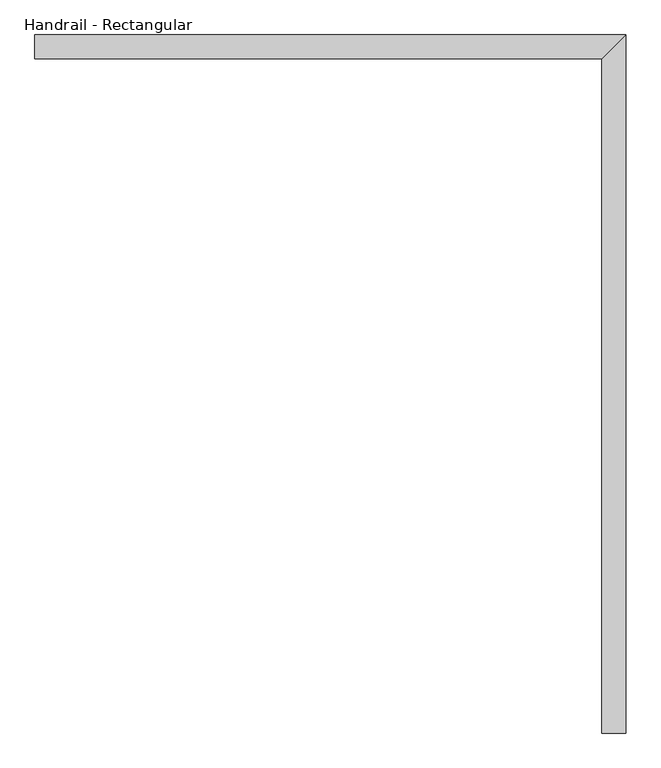
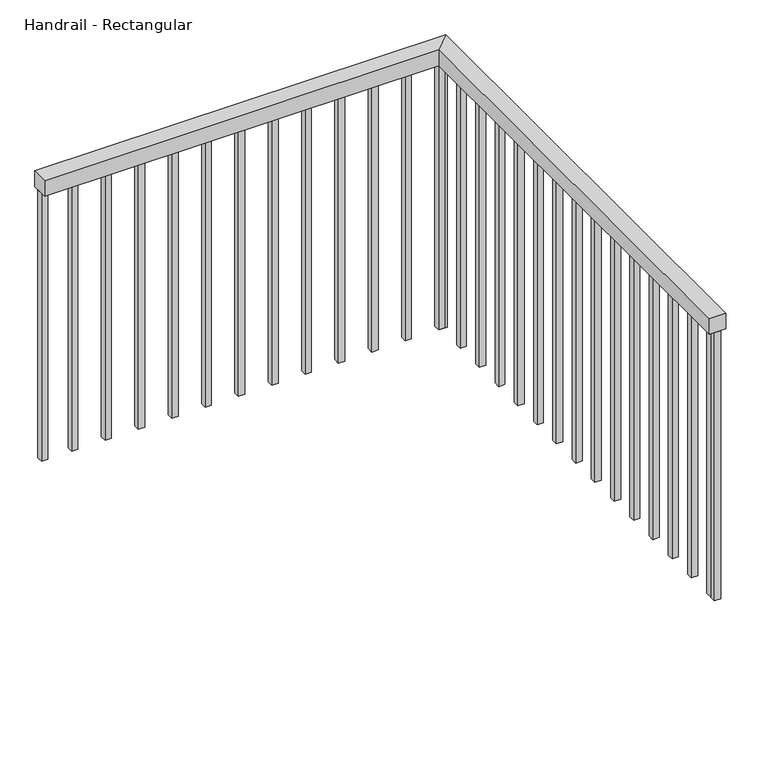
"""IFC4 building model written with IfcOpenShell, lengths in millimetres: railing geometry, Handrail - Rectangular."""

import ifcopenshell
import ifcopenshell.guid

model = None  # the IFC model being written
_history = None  # IfcOwnerHistory: only IFC2X3 demands one
_inside = {}  # id of a spatial element -> (the spatial element, [elements in it])
_under = {}  # id of a project, library or spatial element -> (it, [spatial elements below it])
_declared = {}  # id of a project -> (the project, [libraries it declares])
_typed = {}  # id of a type object -> (the type object, [elements of that type])
_made_of = {}  # id of a material, layer set ... -> (it, [elements and type objects made of it])


def new_model(schema):
    """Start an empty IFC model of exactly this schema.

    Asked for "IFC4X3", IfcOpenShell would pick the latest addendum, in which some entities
    have other attributes; the version numbers below select the first issue.
    IFC2X3 requires an IfcOwnerHistory on every rooted entity: one is made here for all.
    """
    global model, _history
    if schema == "IFC4X3":
        model = ifcopenshell.file(schema_version=(4, 3, 0, 0))
    else:
        model = ifcopenshell.file(schema=schema)
    _inside.clear()
    _under.clear()
    _declared.clear()
    _typed.clear()
    _made_of.clear()
    _history = None
    if model.schema == "IFC2X3":
        org = make("IfcOrganization", Name="unknown")
        user = make(
            "IfcPersonAndOrganization",
            ThePerson=make("IfcPerson", FamilyName="unknown"),
            TheOrganization=org,
        )
        app = make(
            "IfcApplication",
            ApplicationDeveloper=org,
            Version="unknown",
            ApplicationFullName="unknown",
            ApplicationIdentifier="unknown",
        )
        _history = make(
            "IfcOwnerHistory",
            OwningUser=user,
            OwningApplication=app,
            ChangeAction="ADDED",
            CreationDate=0,
        )
    return model


def make(cls, **values):
    """One entity of the class cls with the attributes given. An attribute that is None is left unset."""
    return model.create_entity(
        cls, **{name: value for name, value in values.items() if value is not None}
    )


def rooted(cls, **values):
    """An entity with a GlobalId (a new one), such as an element, a storey or a relation."""
    return make(cls, GlobalId=ifcopenshell.guid.new(), OwnerHistory=_history, **values)


def si_unit(unit_type, name, prefix=None):
    """IfcSIUnit, for example si_unit("LENGTHUNIT", "METRE", prefix="MILLI")."""
    return make("IfcSIUnit", UnitType=unit_type, Prefix=prefix, Name=name)


def assignment(units):
    """IfcUnitAssignment: the units of a project."""
    return None if units is None else make("IfcUnitAssignment", Units=units)


def point(xyz):
    """IfcCartesianPoint."""
    return None if xyz is None else make("IfcCartesianPoint", Coordinates=xyz)


def direction(xyz):
    """IfcDirection."""
    return None if xyz is None else make("IfcDirection", DirectionRatios=xyz)


def frame(location, z_axis=None, x_axis=None):
    """IfcAxis2Placement3D, a coordinate frame: its origin and axes. An axis left out is left unset."""
    return make(
        "IfcAxis2Placement3D",
        Location=point(location),
        Axis=direction(z_axis),
        RefDirection=direction(x_axis),
    )


def origin():
    """The frame at (0, 0, 0) with its axes left unset."""
    return frame((0.0, 0.0, 0.0))


def place(relative_to, where):
    """IfcLocalPlacement: puts the frame where relative to a parent placement (None: the world)."""
    return make(
        "IfcLocalPlacement", PlacementRelTo=relative_to, RelativePlacement=where
    )


def context(
    kind, dimensions, precision=None, world=None, true_north=None, identifier=None
):
    """IfcGeometricRepresentationContext, for example the 3D "Model" context."""
    return make(
        "IfcGeometricRepresentationContext",
        ContextIdentifier=identifier,
        ContextType=kind,
        CoordinateSpaceDimension=dimensions,
        Precision=precision,
        WorldCoordinateSystem=world,
        TrueNorth=true_north,
    )


def project(units=None, contexts=None):
    """IfcProject with its units and contexts."""
    return rooted(
        "IfcProject",
        Name="project",
        RepresentationContexts=contexts,
        UnitsInContext=assignment(units),
    )


def spatial(cls, under=None, at=None, **own):
    """A site, building, storey or space (cls), placed at a placement, below another one or the project."""
    s = rooted(cls, ObjectPlacement=at, **own)
    if under is not None:
        _under.setdefault(under.id(), (under, []))[1].append(s)
    return s


def polyline(points):
    """IfcPolyline through the points."""
    return make("IfcPolyline", Points=[point(p) for p in points])


def outline(outer, holes=None, kind="AREA"):
    """IfcArbitraryClosedProfileDef: a profile drawn as a closed curve; with holes, ...WithVoids."""
    if holes is None:
        return make("IfcArbitraryClosedProfileDef", ProfileType=kind, OuterCurve=outer)
    return make(
        "IfcArbitraryProfileDefWithVoids",
        ProfileType=kind,
        OuterCurve=outer,
        InnerCurves=holes,
    )


def extrude(swept, where, along, depth):
    """IfcExtrudedAreaSolid: the profile swept, set in the frame where, extruded along a direction by depth."""
    return make(
        "IfcExtrudedAreaSolid",
        SweptArea=swept,
        Position=where,
        ExtrudedDirection=direction(along),
        Depth=depth,
    )


def faces_of(points, faces, orient=None, outer=None):
    """IfcFace entities. A face is a list of loops; a loop is a list of indices into points, from 0.

    orient and outer hold one flag for each loop. By default every Orientation is true, the
    first loop of a face is its IfcFaceOuterBound and the others are IfcFaceBound.
    """
    made = []
    for i, loops in enumerate(faces):
        bounds = []
        for j, loop in enumerate(loops):
            is_outer = j == 0 if outer is None else outer[i][j]
            bounds.append(
                make(
                    "IfcFaceOuterBound" if is_outer else "IfcFaceBound",
                    Bound=make("IfcPolyLoop", Polygon=[points[k] for k in loop]),
                    Orientation=True if orient is None else orient[i][j],
                )
            )
        made.append(make("IfcFace", Bounds=bounds))
    return made


def faceted_brep(points, faces, orient=None, outer=None, voids=None):
    """IfcFacetedBrep: a solid bounded by flat faces; with voids (closed shells), ...WithVoids."""
    shared = [point(p) for p in points]
    hull = make("IfcClosedShell", CfsFaces=faces_of(shared, faces, orient, outer))
    if voids is None:
        return make("IfcFacetedBrep", Outer=hull)
    return make(
        "IfcFacetedBrepWithVoids",
        Outer=hull,
        Voids=[
            make(cls, CfsFaces=faces_of(shared, fs, o, b)) for cls, fs, o, b in voids
        ],
    )


def shape(context_of_items, identifier, shape_type, items):
    """IfcShapeRepresentation: the items that make up one representation, for example the "Body"."""
    return make(
        "IfcShapeRepresentation",
        ContextOfItems=context_of_items,
        RepresentationIdentifier=identifier,
        RepresentationType=shape_type,
        Items=items,
    )


def source(mapping_origin, context_of_items, identifier, shape_type, items):
    """IfcRepresentationMap: a shape defined once, which mapped items show again and again."""
    return make(
        "IfcRepresentationMap",
        MappingOrigin=mapping_origin,
        MappedRepresentation=shape(context_of_items, identifier, shape_type, items),
    )


def transform(
    local_origin,
    x_axis=None,
    y_axis=None,
    z_axis=None,
    scale=None,
    scale2=None,
    scale3=None,
    uniform=True,
):
    """IfcCartesianTransformationOperator3D, or its non-uniform kind. x_axis, y_axis, z_axis: its Axis1, 2, 3."""
    if uniform:
        return make(
            "IfcCartesianTransformationOperator3D",
            Axis1=direction(x_axis),
            Axis2=direction(y_axis),
            LocalOrigin=point(local_origin),
            Scale=scale,
            Axis3=direction(z_axis),
        )
    return make(
        "IfcCartesianTransformationOperator3DnonUniform",
        Axis1=direction(x_axis),
        Axis2=direction(y_axis),
        LocalOrigin=point(local_origin),
        Scale=scale,
        Axis3=direction(z_axis),
        Scale2=scale2,
        Scale3=scale3,
    )


def mapped(mapping_source, mapping_target):
    """IfcMappedItem: shows the shape of a source again, moved by a transform."""
    return make(
        "IfcMappedItem", MappingSource=mapping_source, MappingTarget=mapping_target
    )


def made_of(thing, what):
    """Note that an element or type object is made of a material, layer set ...; save() writes the relation."""
    if what is not None:
        _made_of.setdefault(what.id(), (what, []))[1].append(thing)
    return thing


def element(
    cls,
    number,
    at=None,
    inside=None,
    cuts=None,
    type_object=None,
    material=None,
    context=None,
    identifier="Body",
    shape_type=None,
    held_by="IfcProductDefinitionShape",
    body=None,
    shapes=None,
    **own,
):
    """One element of the class cls, such as IfcWall. Its Tag is "e" and its number.

    at: its placement. inside: the storey or other place that contains it. cuts: it is an
    opening in that element (IfcRelVoidsElement). A single representation is given by context,
    identifier, shape_type and body (its items); several are given by shapes. held_by: the class
    of the entity that holds the representations. save() writes the other relations.
    """
    e = rooted(cls, Tag="e%d" % number, ObjectPlacement=at, **own)
    if body is not None:
        shapes = [shape(context, identifier, shape_type, body)]
    if shapes is not None:
        e.Representation = make(held_by, Representations=shapes)
    if inside is not None:
        _inside.setdefault(inside.id(), (inside, []))[1].append(e)
    if cuts is not None:
        rooted(
            "IfcRelVoidsElement", RelatingBuildingElement=cuts, RelatedOpeningElement=e
        )
    if type_object is not None:
        _typed.setdefault(type_object.id(), (type_object, []))[1].append(e)
    return made_of(e, material)


def aggregate(whole, parts):
    """IfcRelAggregates: a whole, such as a stair, and the parts it consists of."""
    return rooted("IfcRelAggregates", RelatingObject=whole, RelatedObjects=parts)


def save(model, path):
    """Write the relations noted so far, then the file.

    IfcRelAggregates (storeys below a building ...), IfcRelContainedInSpatialStructure (elements
    in a storey), IfcRelDefinesByType, IfcRelAssociatesMaterial and IfcRelDeclares: one each for
    every whole, place, type object, material and project.
    """
    for whole, parts in _under.values():
        aggregate(whole, parts)
    for where, things in _inside.values():
        rooted(
            "IfcRelContainedInSpatialStructure",
            RelatedElements=things,
            RelatingStructure=where,
        )
    for kind, things in _typed.values():
        rooted("IfcRelDefinesByType", RelatedObjects=things, RelatingType=kind)
    for what, things in _made_of.values():
        rooted("IfcRelAssociatesMaterial", RelatedObjects=things, RelatingMaterial=what)
    for by, libraries in _declared.values():
        rooted("IfcRelDeclares", RelatingContext=by, RelatedDefinitions=libraries)
    model.write(path)


def handrail_rectangular_62bc114f(model_context):
    return source(origin(), model_context, "Body", "SolidModel", [
        faceted_brep([(3263.4044014, 2362.1686834, 1364.4), (3263.4044014, 2412.9686834, 1364.4), (3263.4044014, 2412.9686834, 1313.6), (3263.4044014, 2362.1686834, 1313.6), (4464.736121, 2362.1686834, 1364.4), (4515.536121, 2412.9686834, 1364.4), (4515.536121, 2412.9686834, 1313.6), (4464.736121, 2362.1686834, 1313.6), (4464.736121, 934.7686834, 1364.4), (4464.736121, 934.7686834, 1313.6), (4515.536121, 934.7686834, 1313.6), (4515.536121, 934.7686834, 1364.4)], [[[0, 1, 2, 3]], [[1, 0, 4, 5]], [[2, 1, 5, 6]], [[3, 2, 6, 7]], [[0, 3, 7, 4]], [[8, 9, 10, 11]], [[5, 4, 8, 11]], [[6, 5, 11, 10]], [[7, 6, 10, 9]], [[4, 7, 9, 8]]]),
        extrude(outline(polyline([(4480.611121, 974.6936834), (4499.661121, 974.6936834), (4499.661121, 955.6436834), (4480.611121, 955.6436834), (4480.611121, 974.6936834)])), frame((0.0, 0.0, 450.0), z_axis=(0.0, 0.0, 1.0), x_axis=(1.0, 0.0, 0.0)), (0.0, 0.0, 1.0), 863.6),
        extrude(outline(polyline([(4480.611121, 1076.2936834), (4499.661121, 1076.2936834), (4499.661121, 1057.2436834), (4480.611121, 1057.2436834), (4480.611121, 1076.2936834)])), frame((0.0, 0.0, 450.0), z_axis=(0.0, 0.0, 1.0), x_axis=(1.0, 0.0, 0.0)), (0.0, 0.0, 1.0), 863.6),
        extrude(outline(polyline([(4480.611121, 1177.8936834), (4499.661121, 1177.8936834), (4499.661121, 1158.8436834), (4480.611121, 1158.8436834), (4480.611121, 1177.8936834)])), frame((0.0, 0.0, 450.0), z_axis=(0.0, 0.0, 1.0), x_axis=(1.0, 0.0, 0.0)), (0.0, 0.0, 1.0), 863.6),
        extrude(outline(polyline([(4480.611121, 1279.4936834), (4499.661121, 1279.4936834), (4499.661121, 1260.4436834), (4480.611121, 1260.4436834), (4480.611121, 1279.4936834)])), frame((0.0, 0.0, 450.0), z_axis=(0.0, 0.0, 1.0), x_axis=(1.0, 0.0, 0.0)), (0.0, 0.0, 1.0), 863.6),
        extrude(outline(polyline([(4480.611121, 1381.0936834), (4499.661121, 1381.0936834), (4499.661121, 1362.0436834), (4480.611121, 1362.0436834), (4480.611121, 1381.0936834)])), frame((0.0, 0.0, 450.0), z_axis=(0.0, 0.0, 1.0), x_axis=(1.0, 0.0, 0.0)), (0.0, 0.0, 1.0), 863.6),
        extrude(outline(polyline([(4480.611121, 1482.6936834), (4499.661121, 1482.6936834), (4499.661121, 1463.6436834), (4480.611121, 1463.6436834), (4480.611121, 1482.6936834)])), frame((0.0, 0.0, 450.0), z_axis=(0.0, 0.0, 1.0), x_axis=(1.0, 0.0, 0.0)), (0.0, 0.0, 1.0), 863.6),
        extrude(outline(polyline([(4480.611121, 1584.2936834), (4499.661121, 1584.2936834), (4499.661121, 1565.2436834), (4480.611121, 1565.2436834), (4480.611121, 1584.2936834)])), frame((0.0, 0.0, 450.0), z_axis=(0.0, 0.0, 1.0), x_axis=(1.0, 0.0, 0.0)), (0.0, 0.0, 1.0), 863.6),
        extrude(outline(polyline([(4480.611121, 1685.8936834), (4499.661121, 1685.8936834), (4499.661121, 1666.8436834), (4480.611121, 1666.8436834), (4480.611121, 1685.8936834)])), frame((0.0, 0.0, 450.0), z_axis=(0.0, 0.0, 1.0), x_axis=(1.0, 0.0, 0.0)), (0.0, 0.0, 1.0), 863.6),
        extrude(outline(polyline([(4480.611121, 1787.4936834), (4499.661121, 1787.4936834), (4499.661121, 1768.4436834), (4480.611121, 1768.4436834), (4480.611121, 1787.4936834)])), frame((0.0, 0.0, 450.0), z_axis=(0.0, 0.0, 1.0), x_axis=(1.0, 0.0, 0.0)), (0.0, 0.0, 1.0), 863.6),
        extrude(outline(polyline([(4480.611121, 1889.0936834), (4499.661121, 1889.0936834), (4499.661121, 1870.0436834), (4480.611121, 1870.0436834), (4480.611121, 1889.0936834)])), frame((0.0, 0.0, 450.0), z_axis=(0.0, 0.0, 1.0), x_axis=(1.0, 0.0, 0.0)), (0.0, 0.0, 1.0), 863.6),
        extrude(outline(polyline([(4480.611121, 1990.6936834), (4499.661121, 1990.6936834), (4499.661121, 1971.6436834), (4480.611121, 1971.6436834), (4480.611121, 1990.6936834)])), frame((0.0, 0.0, 450.0), z_axis=(0.0, 0.0, 1.0), x_axis=(1.0, 0.0, 0.0)), (0.0, 0.0, 1.0), 863.6),
        extrude(outline(polyline([(4480.611121, 2092.2936834), (4499.661121, 2092.2936834), (4499.661121, 2073.2436834), (4480.611121, 2073.2436834), (4480.611121, 2092.2936834)])), frame((0.0, 0.0, 450.0), z_axis=(0.0, 0.0, 1.0), x_axis=(1.0, 0.0, 0.0)), (0.0, 0.0, 1.0), 863.6),
        extrude(outline(polyline([(4480.611121, 2193.8936834), (4499.661121, 2193.8936834), (4499.661121, 2174.8436834), (4480.611121, 2174.8436834), (4480.611121, 2193.8936834)])), frame((0.0, 0.0, 450.0), z_axis=(0.0, 0.0, 1.0), x_axis=(1.0, 0.0, 0.0)), (0.0, 0.0, 1.0), 863.6),
        extrude(outline(polyline([(4480.611121, 2295.4936834), (4499.661121, 2295.4936834), (4499.661121, 2276.4436834), (4480.611121, 2276.4436834), (4480.611121, 2295.4936834)])), frame((0.0, 0.0, 450.0), z_axis=(0.0, 0.0, 1.0), x_axis=(1.0, 0.0, 0.0)), (0.0, 0.0, 1.0), 863.6),
        extrude(outline(polyline([(4473.0794014, 2378.0436834), (4473.0794014, 2397.0936834), (4492.1294014, 2397.0936834), (4492.1294014, 2378.0436834), (4473.0794014, 2378.0436834)])), frame((0.0, 0.0, 450.0), z_axis=(0.0, 0.0, 1.0), x_axis=(1.0, 0.0, 0.0)), (0.0, 0.0, 1.0), 863.6),
        extrude(outline(polyline([(4371.4794014, 2378.0436834), (4371.4794014, 2397.0936834), (4390.5294014, 2397.0936834), (4390.5294014, 2378.0436834), (4371.4794014, 2378.0436834)])), frame((0.0, 0.0, 450.0), z_axis=(0.0, 0.0, 1.0), x_axis=(1.0, 0.0, 0.0)), (0.0, 0.0, 1.0), 863.6),
        extrude(outline(polyline([(4269.8794014, 2378.0436834), (4269.8794014, 2397.0936834), (4288.9294014, 2397.0936834), (4288.9294014, 2378.0436834), (4269.8794014, 2378.0436834)])), frame((0.0, 0.0, 450.0), z_axis=(0.0, 0.0, 1.0), x_axis=(1.0, 0.0, 0.0)), (0.0, 0.0, 1.0), 863.6),
        extrude(outline(polyline([(4168.2794014, 2378.0436834), (4168.2794014, 2397.0936834), (4187.3294014, 2397.0936834), (4187.3294014, 2378.0436834), (4168.2794014, 2378.0436834)])), frame((0.0, 0.0, 450.0), z_axis=(0.0, 0.0, 1.0), x_axis=(1.0, 0.0, 0.0)), (0.0, 0.0, 1.0), 863.6),
        extrude(outline(polyline([(4066.6794014, 2378.0436834), (4066.6794014, 2397.0936834), (4085.7294014, 2397.0936834), (4085.7294014, 2378.0436834), (4066.6794014, 2378.0436834)])), frame((0.0, 0.0, 450.0), z_axis=(0.0, 0.0, 1.0), x_axis=(1.0, 0.0, 0.0)), (0.0, 0.0, 1.0), 863.6),
        extrude(outline(polyline([(3965.0794014, 2378.0436834), (3965.0794014, 2397.0936834), (3984.1294014, 2397.0936834), (3984.1294014, 2378.0436834), (3965.0794014, 2378.0436834)])), frame((0.0, 0.0, 450.0), z_axis=(0.0, 0.0, 1.0), x_axis=(1.0, 0.0, 0.0)), (0.0, 0.0, 1.0), 863.6),
        extrude(outline(polyline([(3863.4794014, 2378.0436834), (3863.4794014, 2397.0936834), (3882.5294014, 2397.0936834), (3882.5294014, 2378.0436834), (3863.4794014, 2378.0436834)])), frame((0.0, 0.0, 450.0), z_axis=(0.0, 0.0, 1.0), x_axis=(1.0, 0.0, 0.0)), (0.0, 0.0, 1.0), 863.6),
        extrude(outline(polyline([(3761.8794014, 2378.0436834), (3761.8794014, 2397.0936834), (3780.9294014, 2397.0936834), (3780.9294014, 2378.0436834), (3761.8794014, 2378.0436834)])), frame((0.0, 0.0, 450.0), z_axis=(0.0, 0.0, 1.0), x_axis=(1.0, 0.0, 0.0)), (0.0, 0.0, 1.0), 863.6),
        extrude(outline(polyline([(3660.2794014, 2378.0436834), (3660.2794014, 2397.0936834), (3679.3294014, 2397.0936834), (3679.3294014, 2378.0436834), (3660.2794014, 2378.0436834)])), frame((0.0, 0.0, 450.0), z_axis=(0.0, 0.0, 1.0), x_axis=(1.0, 0.0, 0.0)), (0.0, 0.0, 1.0), 863.6),
        extrude(outline(polyline([(3558.6794014, 2378.0436834), (3558.6794014, 2397.0936834), (3577.7294014, 2397.0936834), (3577.7294014, 2378.0436834), (3558.6794014, 2378.0436834)])), frame((0.0, 0.0, 450.0), z_axis=(0.0, 0.0, 1.0), x_axis=(1.0, 0.0, 0.0)), (0.0, 0.0, 1.0), 863.6),
        extrude(outline(polyline([(3457.0794014, 2378.0436834), (3457.0794014, 2397.0936834), (3476.1294014, 2397.0936834), (3476.1294014, 2378.0436834), (3457.0794014, 2378.0436834)])), frame((0.0, 0.0, 450.0), z_axis=(0.0, 0.0, 1.0), x_axis=(1.0, 0.0, 0.0)), (0.0, 0.0, 1.0), 863.6),
        extrude(outline(polyline([(3355.4794014, 2378.0436834), (3355.4794014, 2397.0936834), (3374.5294014, 2397.0936834), (3374.5294014, 2378.0436834), (3355.4794014, 2378.0436834)])), frame((0.0, 0.0, 450.0), z_axis=(0.0, 0.0, 1.0), x_axis=(1.0, 0.0, 0.0)), (0.0, 0.0, 1.0), 863.6),
        extrude(outline(polyline([(4480.611121, 2378.0436834), (4480.611121, 2397.0936834), (4499.661121, 2397.0936834), (4499.661121, 2378.0436834), (4480.611121, 2378.0436834)])), frame((0.0, 0.0, 450.0), z_axis=(0.0, 0.0, 1.0), x_axis=(1.0, 0.0, 0.0)), (0.0, 0.0, 1.0), 863.6),
        extrude(outline(polyline([(4480.611121, 953.8186834), (4499.661121, 953.8186834), (4499.661121, 934.7686834), (4480.611121, 934.7686834), (4480.611121, 953.8186834)])), frame((0.0, 0.0, 450.0), z_axis=(0.0, 0.0, 1.0), x_axis=(1.0, 0.0, 0.0)), (0.0, 0.0, 1.0), 863.6),
        extrude(outline(polyline([(3263.4044014, 2378.0436834), (3263.4044014, 2397.0936834), (3282.4544014, 2397.0936834), (3282.4544014, 2378.0436834), (3263.4044014, 2378.0436834)])), frame((0.0, 0.0, 450.0), z_axis=(0.0, 0.0, 1.0), x_axis=(1.0, 0.0, 0.0)), (0.0, 0.0, 1.0), 863.6),
    ])


if __name__ == "__main__":
    model = new_model("IFC4")
    model_context = context("Model", 3, world=origin())
    ifc_project = project(units=[si_unit("LENGTHUNIT", "METRE", prefix="MILLI")], contexts=[model_context])
    site = spatial("IfcSite", under=ifc_project)
    building = spatial("IfcBuilding", under=site)
    placement = place(None, origin())
    handrail_rectangular_shape = handrail_rectangular_62bc114f(model_context)
    element("IfcRailing", 1, ObjectType="Handrail - Rectangular", at=placement, inside=building, context=model_context, shape_type="MappedRepresentation", body=[
        mapped(handrail_rectangular_shape, transform((0.0, 0.0, 0.0), x_axis=(1.0, 0.0, 0.0), y_axis=(0.0, 1.0, 0.0), z_axis=(0.0, 0.0, 1.0))),
    ])
    save(model, "model.ifc")
